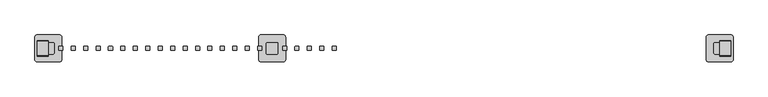
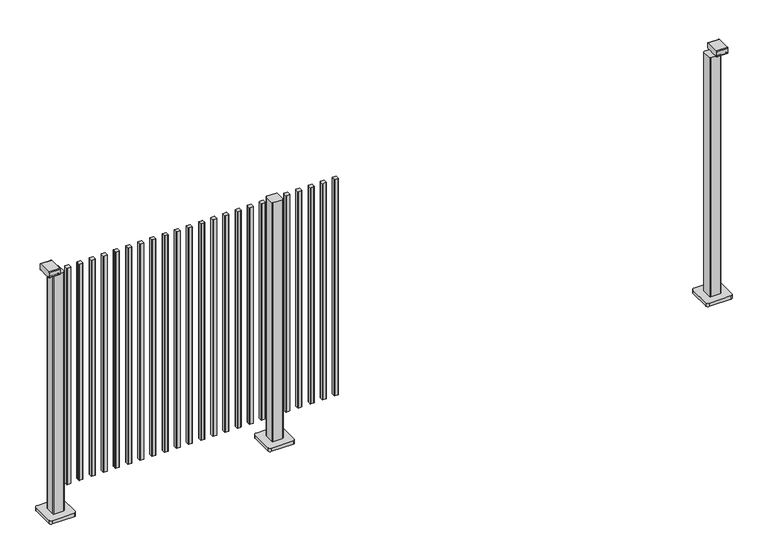
"""IFC4 building model written with IfcOpenShell, lengths in millimetres: railing geometry."""

from ifc_helpers import new_model, si_unit, point, frame, frame_2d, origin, origin_with_axes, place, context, project, spatial, polyline, circle_curve, trimmed, segment, composite_curve, outline, extrude, source, transform, mapped, element, save


def railing_5531ea5b(model_context):
    return source(origin(), model_context, "Body", "SweptSolid", [
        extrude(outline(composite_curve([segment(trimmed(circle_curve(frame_2d((5001.5724688, 9693.4508236)), 1.4), [point((5000.1724688, 9693.4508236))], [point((5001.5724688, 9694.8508236))], False, "CARTESIAN"), True, "CONTINUOUS"), segment(polyline([(5001.5724688, 9694.8508236), (5016.7724718, 9694.8508236)]), True, "CONTINUOUS"), segment(trimmed(circle_curve(frame_2d((5016.7724718, 9693.4508236)), 1.4), [point((5016.7724718, 9694.8508236))], [point((5018.1724718, 9693.4508236))], False, "CARTESIAN"), True, "CONTINUOUS"), segment(polyline([(5018.1724718, 9693.4508236), (5018.1724718, 9678.2507846)]), True, "CONTINUOUS"), segment(trimmed(circle_curve(frame_2d((5016.7724718, 9678.2507846)), 1.4), [point((5018.1724718, 9678.2507846))], [point((5016.7724718, 9676.8507846))], False, "CARTESIAN"), True, "CONTINUOUS"), segment(polyline([(5016.7724718, 9676.8507846), (5001.5724688, 9676.8507846)]), True, "CONTINUOUS"), segment(trimmed(circle_curve(frame_2d((5001.5724688, 9678.2507846)), 1.4), [point((5001.5724688, 9676.8507846))], [point((5000.1724688, 9678.2507846))], False, "CARTESIAN"), True, "CONTINUOUS"), segment(polyline([(5000.1724688, 9678.2507846), (5000.1724688, 9693.4508236)]), True, "CONTINUOUS")], self_intersect=False)), frame((0.0, 0.0, 125.0), z_axis=(0.0, 0.0, 1.0), x_axis=(1.0, 0.0, 0.0)), (0.0, 0.0, 1.0), 1044.8785743),
        extrude(outline(composite_curve([segment(trimmed(circle_curve(frame_2d((4946.0169133, 9693.4508236)), 1.4), [point((4944.6169133, 9693.4508236))], [point((4946.0169133, 9694.8508236))], False, "CARTESIAN"), True, "CONTINUOUS"), segment(polyline([(4946.0169133, 9694.8508236), (4961.2169163, 9694.8508236)]), True, "CONTINUOUS"), segment(trimmed(circle_curve(frame_2d((4961.2169163, 9693.4508236)), 1.4), [point((4961.2169163, 9694.8508236))], [point((4962.6169163, 9693.4508236))], False, "CARTESIAN"), True, "CONTINUOUS"), segment(polyline([(4962.6169163, 9693.4508236), (4962.6169163, 9678.2507846)]), True, "CONTINUOUS"), segment(trimmed(circle_curve(frame_2d((4961.2169163, 9678.2507846)), 1.4), [point((4962.6169163, 9678.2507846))], [point((4961.2169163, 9676.8507846))], False, "CARTESIAN"), True, "CONTINUOUS"), segment(polyline([(4961.2169163, 9676.8507846), (4946.0169133, 9676.8507846)]), True, "CONTINUOUS"), segment(trimmed(circle_curve(frame_2d((4946.0169133, 9678.2507846)), 1.4), [point((4946.0169133, 9676.8507846))], [point((4944.6169133, 9678.2507846))], False, "CARTESIAN"), True, "CONTINUOUS"), segment(polyline([(4944.6169133, 9678.2507846), (4944.6169133, 9693.4508236)]), True, "CONTINUOUS")], self_intersect=False)), frame((0.0, 0.0, 125.0), z_axis=(0.0, 0.0, 1.0), x_axis=(1.0, 0.0, 0.0)), (0.0, 0.0, 1.0), 1044.8785743),
        extrude(outline(composite_curve([segment(trimmed(circle_curve(frame_2d((4890.4613577, 9693.4508236)), 1.4), [point((4889.0613577, 9693.4508236))], [point((4890.4613577, 9694.8508236))], False, "CARTESIAN"), True, "CONTINUOUS"), segment(polyline([(4890.4613577, 9694.8508236), (4905.6613607, 9694.8508236)]), True, "CONTINUOUS"), segment(trimmed(circle_curve(frame_2d((4905.6613607, 9693.4508236)), 1.4), [point((4905.6613607, 9694.8508236))], [point((4907.0613607, 9693.4508236))], False, "CARTESIAN"), True, "CONTINUOUS"), segment(polyline([(4907.0613607, 9693.4508236), (4907.0613607, 9678.2507846)]), True, "CONTINUOUS"), segment(trimmed(circle_curve(frame_2d((4905.6613607, 9678.2507846)), 1.4), [point((4907.0613607, 9678.2507846))], [point((4905.6613607, 9676.8507846))], False, "CARTESIAN"), True, "CONTINUOUS"), segment(polyline([(4905.6613607, 9676.8507846), (4890.4613577, 9676.8507846)]), True, "CONTINUOUS"), segment(trimmed(circle_curve(frame_2d((4890.4613577, 9678.2507846)), 1.4), [point((4890.4613577, 9676.8507846))], [point((4889.0613577, 9678.2507846))], False, "CARTESIAN"), True, "CONTINUOUS"), segment(polyline([(4889.0613577, 9678.2507846), (4889.0613577, 9693.4508236)]), True, "CONTINUOUS")], self_intersect=False)), frame((0.0, 0.0, 125.0), z_axis=(0.0, 0.0, 1.0), x_axis=(1.0, 0.0, 0.0)), (0.0, 0.0, 1.0), 1044.8785743),
        extrude(outline(composite_curve([segment(trimmed(circle_curve(frame_2d((4834.9058021, 9693.4508236)), 1.4), [point((4833.5058021, 9693.4508236))], [point((4834.9058021, 9694.8508236))], False, "CARTESIAN"), True, "CONTINUOUS"), segment(polyline([(4834.9058021, 9694.8508236), (4850.1058051, 9694.8508236)]), True, "CONTINUOUS"), segment(trimmed(circle_curve(frame_2d((4850.1058051, 9693.4508236)), 1.4), [point((4850.1058051, 9694.8508236))], [point((4851.5058051, 9693.4508236))], False, "CARTESIAN"), True, "CONTINUOUS"), segment(polyline([(4851.5058051, 9693.4508236), (4851.5058051, 9678.2507846)]), True, "CONTINUOUS"), segment(trimmed(circle_curve(frame_2d((4850.1058051, 9678.2507846)), 1.4), [point((4851.5058051, 9678.2507846))], [point((4850.1058051, 9676.8507846))], False, "CARTESIAN"), True, "CONTINUOUS"), segment(polyline([(4850.1058051, 9676.8507846), (4834.9058021, 9676.8507846)]), True, "CONTINUOUS"), segment(trimmed(circle_curve(frame_2d((4834.9058021, 9678.2507846)), 1.4), [point((4834.9058021, 9676.8507846))], [point((4833.5058021, 9678.2507846))], False, "CARTESIAN"), True, "CONTINUOUS"), segment(polyline([(4833.5058021, 9678.2507846), (4833.5058021, 9693.4508236)]), True, "CONTINUOUS")], self_intersect=False)), frame((0.0, 0.0, 125.0), z_axis=(0.0, 0.0, 1.0), x_axis=(1.0, 0.0, 0.0)), (0.0, 0.0, 1.0), 1044.8785743),
        extrude(outline(composite_curve([segment(trimmed(circle_curve(frame_2d((4779.3502466, 9693.4508236)), 1.4), [point((4777.9502466, 9693.4508236))], [point((4779.3502466, 9694.8508236))], False, "CARTESIAN"), True, "CONTINUOUS"), segment(polyline([(4779.3502466, 9694.8508236), (4794.5502496, 9694.8508236)]), True, "CONTINUOUS"), segment(trimmed(circle_curve(frame_2d((4794.5502496, 9693.4508236)), 1.4), [point((4794.5502496, 9694.8508236))], [point((4795.9502496, 9693.4508236))], False, "CARTESIAN"), True, "CONTINUOUS"), segment(polyline([(4795.9502496, 9693.4508236), (4795.9502496, 9678.2507846)]), True, "CONTINUOUS"), segment(trimmed(circle_curve(frame_2d((4794.5502496, 9678.2507846)), 1.4), [point((4795.9502496, 9678.2507846))], [point((4794.5502496, 9676.8507846))], False, "CARTESIAN"), True, "CONTINUOUS"), segment(polyline([(4794.5502496, 9676.8507846), (4779.3502466, 9676.8507846)]), True, "CONTINUOUS"), segment(trimmed(circle_curve(frame_2d((4779.3502466, 9678.2507846)), 1.4), [point((4779.3502466, 9676.8507846))], [point((4777.9502466, 9678.2507846))], False, "CARTESIAN"), True, "CONTINUOUS"), segment(polyline([(4777.9502466, 9678.2507846), (4777.9502466, 9693.4508236)]), True, "CONTINUOUS")], self_intersect=False)), frame((0.0, 0.0, 125.0), z_axis=(0.0, 0.0, 1.0), x_axis=(1.0, 0.0, 0.0)), (0.0, 0.0, 1.0), 1044.8785743),
        extrude(outline(composite_curve([segment(trimmed(circle_curve(frame_2d((4708.994681, 9708.2508266)), 3.0), [point((4705.994681, 9708.2508266))], [point((4708.994681, 9711.2508266))], False, "CARTESIAN"), True, "CONTINUOUS"), segment(polyline([(4708.994681, 9711.2508266), (4753.794704, 9711.2508266)]), True, "CONTINUOUS"), segment(trimmed(circle_curve(frame_2d((4753.794704, 9708.2508266)), 3.0), [point((4753.794704, 9711.2508266))], [point((4756.794704, 9708.2508266))], False, "CARTESIAN"), True, "CONTINUOUS"), segment(polyline([(4756.794704, 9708.2508266), (4756.794704, 9663.4508036)]), True, "CONTINUOUS"), segment(trimmed(circle_curve(frame_2d((4753.794704, 9663.4508036)), 3.0), [point((4756.794704, 9663.4508036))], [point((4753.794704, 9660.4508036))], False, "CARTESIAN"), True, "CONTINUOUS"), segment(polyline([(4753.794704, 9660.4508036), (4708.994681, 9660.4508036)]), True, "CONTINUOUS"), segment(trimmed(circle_curve(frame_2d((4708.994681, 9663.4508036)), 3.0), [point((4708.994681, 9660.4508036))], [point((4705.994681, 9663.4508036))], False, "CARTESIAN"), True, "CONTINUOUS"), segment(polyline([(4705.994681, 9663.4508036), (4705.994681, 9708.2508266)]), True, "CONTINUOUS")], self_intersect=False)), frame((0.0, 0.0, 16.0), z_axis=(0.0, 0.0, 1.0), x_axis=(1.0, 0.0, 0.0)), (0.0, 0.0, 1.0), 1153.8785743),
        extrude(outline(composite_curve([segment(trimmed(circle_curve(frame_2d((4681.394681, 9735.8508151)), 10.0), [point((4671.394681, 9735.8508151))], [point((4681.394681, 9745.8508151))], False, "CARTESIAN"), True, "CONTINUOUS"), segment(polyline([(4681.394681, 9745.8508151), (4781.394681, 9745.8508151)]), True, "CONTINUOUS"), segment(trimmed(circle_curve(frame_2d((4781.394681, 9735.8508151)), 10.0), [point((4781.394681, 9745.8508151))], [point((4791.394681, 9735.8508151))], False, "CARTESIAN"), True, "CONTINUOUS"), segment(polyline([(4791.394681, 9735.8508151), (4791.394681, 9635.8508151)]), True, "CONTINUOUS"), segment(trimmed(circle_curve(frame_2d((4781.394681, 9635.8508151)), 10.0), [point((4791.394681, 9635.8508151))], [point((4781.394681, 9625.8508151))], False, "CARTESIAN"), True, "CONTINUOUS"), segment(polyline([(4781.394681, 9625.8508151), (4681.394681, 9625.8508151)]), True, "CONTINUOUS"), segment(trimmed(circle_curve(frame_2d((4681.394681, 9635.8508151)), 10.0), [point((4681.394681, 9625.8508151))], [point((4671.394681, 9635.8508151))], False, "CARTESIAN"), True, "CONTINUOUS"), segment(polyline([(4671.394681, 9635.8508151), (4671.394681, 9735.8508151)]), True, "CONTINUOUS")], self_intersect=False)), origin_with_axes(), (0.0, 0.0, 1.0), 16.0),
        extrude(outline(composite_curve([segment(trimmed(circle_curve(frame_2d((4668.2391355, 9693.4508236)), 1.4), [point((4666.8391355, 9693.4508236))], [point((4668.2391355, 9694.8508236))], False, "CARTESIAN"), True, "CONTINUOUS"), segment(polyline([(4668.2391355, 9694.8508236), (4683.4391385, 9694.8508236)]), True, "CONTINUOUS"), segment(trimmed(circle_curve(frame_2d((4683.4391385, 9693.4508236)), 1.4), [point((4683.4391385, 9694.8508236))], [point((4684.8391385, 9693.4508236))], False, "CARTESIAN"), True, "CONTINUOUS"), segment(polyline([(4684.8391385, 9693.4508236), (4684.8391385, 9678.2507846)]), True, "CONTINUOUS"), segment(trimmed(circle_curve(frame_2d((4683.4391385, 9678.2507846)), 1.4), [point((4684.8391385, 9678.2507846))], [point((4683.4391385, 9676.8507846))], False, "CARTESIAN"), True, "CONTINUOUS"), segment(polyline([(4683.4391385, 9676.8507846), (4668.2391355, 9676.8507846)]), True, "CONTINUOUS"), segment(trimmed(circle_curve(frame_2d((4668.2391355, 9678.2507846)), 1.4), [point((4668.2391355, 9676.8507846))], [point((4666.8391355, 9678.2507846))], False, "CARTESIAN"), True, "CONTINUOUS"), segment(polyline([(4666.8391355, 9678.2507846), (4666.8391355, 9693.4508236)]), True, "CONTINUOUS")], self_intersect=False)), frame((0.0, 0.0, 125.0), z_axis=(0.0, 0.0, 1.0), x_axis=(1.0, 0.0, 0.0)), (0.0, 0.0, 1.0), 1044.8785743),
        extrude(outline(composite_curve([segment(trimmed(circle_curve(frame_2d((4612.6835799, 9693.4508236)), 1.4), [point((4611.2835799, 9693.4508236))], [point((4612.6835799, 9694.8508236))], False, "CARTESIAN"), True, "CONTINUOUS"), segment(polyline([(4612.6835799, 9694.8508236), (4627.8835829, 9694.8508236)]), True, "CONTINUOUS"), segment(trimmed(circle_curve(frame_2d((4627.8835829, 9693.4508236)), 1.4), [point((4627.8835829, 9694.8508236))], [point((4629.2835829, 9693.4508236))], False, "CARTESIAN"), True, "CONTINUOUS"), segment(polyline([(4629.2835829, 9693.4508236), (4629.2835829, 9678.2507846)]), True, "CONTINUOUS"), segment(trimmed(circle_curve(frame_2d((4627.8835829, 9678.2507846)), 1.4), [point((4629.2835829, 9678.2507846))], [point((4627.8835829, 9676.8507846))], False, "CARTESIAN"), True, "CONTINUOUS"), segment(polyline([(4627.8835829, 9676.8507846), (4612.6835799, 9676.8507846)]), True, "CONTINUOUS"), segment(trimmed(circle_curve(frame_2d((4612.6835799, 9678.2507846)), 1.4), [point((4612.6835799, 9676.8507846))], [point((4611.2835799, 9678.2507846))], False, "CARTESIAN"), True, "CONTINUOUS"), segment(polyline([(4611.2835799, 9678.2507846), (4611.2835799, 9693.4508236)]), True, "CONTINUOUS")], self_intersect=False)), frame((0.0, 0.0, 125.0), z_axis=(0.0, 0.0, 1.0), x_axis=(1.0, 0.0, 0.0)), (0.0, 0.0, 1.0), 1044.8785743),
        extrude(outline(composite_curve([segment(trimmed(circle_curve(frame_2d((4557.1280244, 9693.4508236)), 1.4), [point((4555.7280244, 9693.4508236))], [point((4557.1280244, 9694.8508236))], False, "CARTESIAN"), True, "CONTINUOUS"), segment(polyline([(4557.1280244, 9694.8508236), (4572.3280274, 9694.8508236)]), True, "CONTINUOUS"), segment(trimmed(circle_curve(frame_2d((4572.3280274, 9693.4508236)), 1.4), [point((4572.3280274, 9694.8508236))], [point((4573.7280274, 9693.4508236))], False, "CARTESIAN"), True, "CONTINUOUS"), segment(polyline([(4573.7280274, 9693.4508236), (4573.7280274, 9678.2507846)]), True, "CONTINUOUS"), segment(trimmed(circle_curve(frame_2d((4572.3280274, 9678.2507846)), 1.4), [point((4573.7280274, 9678.2507846))], [point((4572.3280274, 9676.8507846))], False, "CARTESIAN"), True, "CONTINUOUS"), segment(polyline([(4572.3280274, 9676.8507846), (4557.1280244, 9676.8507846)]), True, "CONTINUOUS"), segment(trimmed(circle_curve(frame_2d((4557.1280244, 9678.2507846)), 1.4), [point((4557.1280244, 9676.8507846))], [point((4555.7280244, 9678.2507846))], False, "CARTESIAN"), True, "CONTINUOUS"), segment(polyline([(4555.7280244, 9678.2507846), (4555.7280244, 9693.4508236)]), True, "CONTINUOUS")], self_intersect=False)), frame((0.0, 0.0, 125.0), z_axis=(0.0, 0.0, 1.0), x_axis=(1.0, 0.0, 0.0)), (0.0, 0.0, 1.0), 1044.8785743),
        extrude(outline(composite_curve([segment(trimmed(circle_curve(frame_2d((4501.5724688, 9693.4508236)), 1.4), [point((4500.1724688, 9693.4508236))], [point((4501.5724688, 9694.8508236))], False, "CARTESIAN"), True, "CONTINUOUS"), segment(polyline([(4501.5724688, 9694.8508236), (4516.7724718, 9694.8508236)]), True, "CONTINUOUS"), segment(trimmed(circle_curve(frame_2d((4516.7724718, 9693.4508236)), 1.4), [point((4516.7724718, 9694.8508236))], [point((4518.1724718, 9693.4508236))], False, "CARTESIAN"), True, "CONTINUOUS"), segment(polyline([(4518.1724718, 9693.4508236), (4518.1724718, 9678.2507846)]), True, "CONTINUOUS"), segment(trimmed(circle_curve(frame_2d((4516.7724718, 9678.2507846)), 1.4), [point((4518.1724718, 9678.2507846))], [point((4516.7724718, 9676.8507846))], False, "CARTESIAN"), True, "CONTINUOUS"), segment(polyline([(4516.7724718, 9676.8507846), (4501.5724688, 9676.8507846)]), True, "CONTINUOUS"), segment(trimmed(circle_curve(frame_2d((4501.5724688, 9678.2507846)), 1.4), [point((4501.5724688, 9676.8507846))], [point((4500.1724688, 9678.2507846))], False, "CARTESIAN"), True, "CONTINUOUS"), segment(polyline([(4500.1724688, 9678.2507846), (4500.1724688, 9693.4508236)]), True, "CONTINUOUS")], self_intersect=False)), frame((0.0, 0.0, 125.0), z_axis=(0.0, 0.0, 1.0), x_axis=(1.0, 0.0, 0.0)), (0.0, 0.0, 1.0), 1044.8785743),
        extrude(outline(composite_curve([segment(trimmed(circle_curve(frame_2d((4446.0169133, 9693.4508236)), 1.4), [point((4444.6169133, 9693.4508236))], [point((4446.0169133, 9694.8508236))], False, "CARTESIAN"), True, "CONTINUOUS"), segment(polyline([(4446.0169133, 9694.8508236), (4461.2169163, 9694.8508236)]), True, "CONTINUOUS"), segment(trimmed(circle_curve(frame_2d((4461.2169163, 9693.4508236)), 1.4), [point((4461.2169163, 9694.8508236))], [point((4462.6169163, 9693.4508236))], False, "CARTESIAN"), True, "CONTINUOUS"), segment(polyline([(4462.6169163, 9693.4508236), (4462.6169163, 9678.2507846)]), True, "CONTINUOUS"), segment(trimmed(circle_curve(frame_2d((4461.2169163, 9678.2507846)), 1.4), [point((4462.6169163, 9678.2507846))], [point((4461.2169163, 9676.8507846))], False, "CARTESIAN"), True, "CONTINUOUS"), segment(polyline([(4461.2169163, 9676.8507846), (4446.0169133, 9676.8507846)]), True, "CONTINUOUS"), segment(trimmed(circle_curve(frame_2d((4446.0169133, 9678.2507846)), 1.4), [point((4446.0169133, 9676.8507846))], [point((4444.6169133, 9678.2507846))], False, "CARTESIAN"), True, "CONTINUOUS"), segment(polyline([(4444.6169133, 9678.2507846), (4444.6169133, 9693.4508236)]), True, "CONTINUOUS")], self_intersect=False)), frame((0.0, 0.0, 125.0), z_axis=(0.0, 0.0, 1.0), x_axis=(1.0, 0.0, 0.0)), (0.0, 0.0, 1.0), 1044.8785743),
        extrude(outline(composite_curve([segment(trimmed(circle_curve(frame_2d((4390.4613577, 9693.4508236)), 1.4), [point((4389.0613577, 9693.4508236))], [point((4390.4613577, 9694.8508236))], False, "CARTESIAN"), True, "CONTINUOUS"), segment(polyline([(4390.4613577, 9694.8508236), (4405.6613607, 9694.8508236)]), True, "CONTINUOUS"), segment(trimmed(circle_curve(frame_2d((4405.6613607, 9693.4508236)), 1.4), [point((4405.6613607, 9694.8508236))], [point((4407.0613607, 9693.4508236))], False, "CARTESIAN"), True, "CONTINUOUS"), segment(polyline([(4407.0613607, 9693.4508236), (4407.0613607, 9678.2507846)]), True, "CONTINUOUS"), segment(trimmed(circle_curve(frame_2d((4405.6613607, 9678.2507846)), 1.4), [point((4407.0613607, 9678.2507846))], [point((4405.6613607, 9676.8507846))], False, "CARTESIAN"), True, "CONTINUOUS"), segment(polyline([(4405.6613607, 9676.8507846), (4390.4613577, 9676.8507846)]), True, "CONTINUOUS"), segment(trimmed(circle_curve(frame_2d((4390.4613577, 9678.2507846)), 1.4), [point((4390.4613577, 9676.8507846))], [point((4389.0613577, 9678.2507846))], False, "CARTESIAN"), True, "CONTINUOUS"), segment(polyline([(4389.0613577, 9678.2507846), (4389.0613577, 9693.4508236)]), True, "CONTINUOUS")], self_intersect=False)), frame((0.0, 0.0, 125.0), z_axis=(0.0, 0.0, 1.0), x_axis=(1.0, 0.0, 0.0)), (0.0, 0.0, 1.0), 1044.8785743),
        extrude(outline(composite_curve([segment(trimmed(circle_curve(frame_2d((4334.9058021, 9693.4508236)), 1.4), [point((4333.5058021, 9693.4508236))], [point((4334.9058021, 9694.8508236))], False, "CARTESIAN"), True, "CONTINUOUS"), segment(polyline([(4334.9058021, 9694.8508236), (4350.1058051, 9694.8508236)]), True, "CONTINUOUS"), segment(trimmed(circle_curve(frame_2d((4350.1058051, 9693.4508236)), 1.4), [point((4350.1058051, 9694.8508236))], [point((4351.5058051, 9693.4508236))], False, "CARTESIAN"), True, "CONTINUOUS"), segment(polyline([(4351.5058051, 9693.4508236), (4351.5058051, 9678.2507846)]), True, "CONTINUOUS"), segment(trimmed(circle_curve(frame_2d((4350.1058051, 9678.2507846)), 1.4), [point((4351.5058051, 9678.2507846))], [point((4350.1058051, 9676.8507846))], False, "CARTESIAN"), True, "CONTINUOUS"), segment(polyline([(4350.1058051, 9676.8507846), (4334.9058021, 9676.8507846)]), True, "CONTINUOUS"), segment(trimmed(circle_curve(frame_2d((4334.9058021, 9678.2507846)), 1.4), [point((4334.9058021, 9676.8507846))], [point((4333.5058021, 9678.2507846))], False, "CARTESIAN"), True, "CONTINUOUS"), segment(polyline([(4333.5058021, 9678.2507846), (4333.5058021, 9693.4508236)]), True, "CONTINUOUS")], self_intersect=False)), frame((0.0, 0.0, 125.0), z_axis=(0.0, 0.0, 1.0), x_axis=(1.0, 0.0, 0.0)), (0.0, 0.0, 1.0), 1044.8785743),
        extrude(outline(composite_curve([segment(trimmed(circle_curve(frame_2d((4279.3502466, 9693.4508236)), 1.4), [point((4277.9502466, 9693.4508236))], [point((4279.3502466, 9694.8508236))], False, "CARTESIAN"), True, "CONTINUOUS"), segment(polyline([(4279.3502466, 9694.8508236), (4294.5502496, 9694.8508236)]), True, "CONTINUOUS"), segment(trimmed(circle_curve(frame_2d((4294.5502496, 9693.4508236)), 1.4), [point((4294.5502496, 9694.8508236))], [point((4295.9502496, 9693.4508236))], False, "CARTESIAN"), True, "CONTINUOUS"), segment(polyline([(4295.9502496, 9693.4508236), (4295.9502496, 9678.2507846)]), True, "CONTINUOUS"), segment(trimmed(circle_curve(frame_2d((4294.5502496, 9678.2507846)), 1.4), [point((4295.9502496, 9678.2507846))], [point((4294.5502496, 9676.8507846))], False, "CARTESIAN"), True, "CONTINUOUS"), segment(polyline([(4294.5502496, 9676.8507846), (4279.3502466, 9676.8507846)]), True, "CONTINUOUS"), segment(trimmed(circle_curve(frame_2d((4279.3502466, 9678.2507846)), 1.4), [point((4279.3502466, 9676.8507846))], [point((4277.9502466, 9678.2507846))], False, "CARTESIAN"), True, "CONTINUOUS"), segment(polyline([(4277.9502466, 9678.2507846), (4277.9502466, 9693.4508236)]), True, "CONTINUOUS")], self_intersect=False)), frame((0.0, 0.0, 125.0), z_axis=(0.0, 0.0, 1.0), x_axis=(1.0, 0.0, 0.0)), (0.0, 0.0, 1.0), 1044.8785743),
        extrude(outline(composite_curve([segment(trimmed(circle_curve(frame_2d((4223.794691, 9693.4508236)), 1.4), [point((4222.394691, 9693.4508236))], [point((4223.794691, 9694.8508236))], False, "CARTESIAN"), True, "CONTINUOUS"), segment(polyline([(4223.794691, 9694.8508236), (4238.994694, 9694.8508236)]), True, "CONTINUOUS"), segment(trimmed(circle_curve(frame_2d((4238.994694, 9693.4508236)), 1.4), [point((4238.994694, 9694.8508236))], [point((4240.394694, 9693.4508236))], False, "CARTESIAN"), True, "CONTINUOUS"), segment(polyline([(4240.394694, 9693.4508236), (4240.394694, 9678.2507846)]), True, "CONTINUOUS"), segment(trimmed(circle_curve(frame_2d((4238.994694, 9678.2507846)), 1.4), [point((4240.394694, 9678.2507846))], [point((4238.994694, 9676.8507846))], False, "CARTESIAN"), True, "CONTINUOUS"), segment(polyline([(4238.994694, 9676.8507846), (4223.794691, 9676.8507846)]), True, "CONTINUOUS"), segment(trimmed(circle_curve(frame_2d((4223.794691, 9678.2507846)), 1.4), [point((4223.794691, 9676.8507846))], [point((4222.394691, 9678.2507846))], False, "CARTESIAN"), True, "CONTINUOUS"), segment(polyline([(4222.394691, 9678.2507846), (4222.394691, 9693.4508236)]), True, "CONTINUOUS")], self_intersect=False)), frame((0.0, 0.0, 125.0), z_axis=(0.0, 0.0, 1.0), x_axis=(1.0, 0.0, 0.0)), (0.0, 0.0, 1.0), 1044.8785743),
        extrude(outline(composite_curve([segment(trimmed(circle_curve(frame_2d((4168.2391355, 9693.4508236)), 1.4), [point((4166.8391355, 9693.4508236))], [point((4168.2391355, 9694.8508236))], False, "CARTESIAN"), True, "CONTINUOUS"), segment(polyline([(4168.2391355, 9694.8508236), (4183.4391385, 9694.8508236)]), True, "CONTINUOUS"), segment(trimmed(circle_curve(frame_2d((4183.4391385, 9693.4508236)), 1.4), [point((4183.4391385, 9694.8508236))], [point((4184.8391385, 9693.4508236))], False, "CARTESIAN"), True, "CONTINUOUS"), segment(polyline([(4184.8391385, 9693.4508236), (4184.8391385, 9678.2507846)]), True, "CONTINUOUS"), segment(trimmed(circle_curve(frame_2d((4183.4391385, 9678.2507846)), 1.4), [point((4184.8391385, 9678.2507846))], [point((4183.4391385, 9676.8507846))], False, "CARTESIAN"), True, "CONTINUOUS"), segment(polyline([(4183.4391385, 9676.8507846), (4168.2391355, 9676.8507846)]), True, "CONTINUOUS"), segment(trimmed(circle_curve(frame_2d((4168.2391355, 9678.2507846)), 1.4), [point((4168.2391355, 9676.8507846))], [point((4166.8391355, 9678.2507846))], False, "CARTESIAN"), True, "CONTINUOUS"), segment(polyline([(4166.8391355, 9678.2507846), (4166.8391355, 9693.4508236)]), True, "CONTINUOUS")], self_intersect=False)), frame((0.0, 0.0, 125.0), z_axis=(0.0, 0.0, 1.0), x_axis=(1.0, 0.0, 0.0)), (0.0, 0.0, 1.0), 1044.8785743),
        extrude(outline(composite_curve([segment(trimmed(circle_curve(frame_2d((4112.6835799, 9693.4508236)), 1.4), [point((4111.2835799, 9693.4508236))], [point((4112.6835799, 9694.8508236))], False, "CARTESIAN"), True, "CONTINUOUS"), segment(polyline([(4112.6835799, 9694.8508236), (4127.8835829, 9694.8508236)]), True, "CONTINUOUS"), segment(trimmed(circle_curve(frame_2d((4127.8835829, 9693.4508236)), 1.4), [point((4127.8835829, 9694.8508236))], [point((4129.2835829, 9693.4508236))], False, "CARTESIAN"), True, "CONTINUOUS"), segment(polyline([(4129.2835829, 9693.4508236), (4129.2835829, 9678.2507846)]), True, "CONTINUOUS"), segment(trimmed(circle_curve(frame_2d((4127.8835829, 9678.2507846)), 1.4), [point((4129.2835829, 9678.2507846))], [point((4127.8835829, 9676.8507846))], False, "CARTESIAN"), True, "CONTINUOUS"), segment(polyline([(4127.8835829, 9676.8507846), (4112.6835799, 9676.8507846)]), True, "CONTINUOUS"), segment(trimmed(circle_curve(frame_2d((4112.6835799, 9678.2507846)), 1.4), [point((4112.6835799, 9676.8507846))], [point((4111.2835799, 9678.2507846))], False, "CARTESIAN"), True, "CONTINUOUS"), segment(polyline([(4111.2835799, 9678.2507846), (4111.2835799, 9693.4508236)]), True, "CONTINUOUS")], self_intersect=False)), frame((0.0, 0.0, 125.0), z_axis=(0.0, 0.0, 1.0), x_axis=(1.0, 0.0, 0.0)), (0.0, 0.0, 1.0), 1044.8785743),
        extrude(outline(composite_curve([segment(trimmed(circle_curve(frame_2d((4057.1280244, 9693.4508236)), 1.4), [point((4055.7280244, 9693.4508236))], [point((4057.1280244, 9694.8508236))], False, "CARTESIAN"), True, "CONTINUOUS"), segment(polyline([(4057.1280244, 9694.8508236), (4072.3280274, 9694.8508236)]), True, "CONTINUOUS"), segment(trimmed(circle_curve(frame_2d((4072.3280274, 9693.4508236)), 1.4), [point((4072.3280274, 9694.8508236))], [point((4073.7280274, 9693.4508236))], False, "CARTESIAN"), True, "CONTINUOUS"), segment(polyline([(4073.7280274, 9693.4508236), (4073.7280274, 9678.2507846)]), True, "CONTINUOUS"), segment(trimmed(circle_curve(frame_2d((4072.3280274, 9678.2507846)), 1.4), [point((4073.7280274, 9678.2507846))], [point((4072.3280274, 9676.8507846))], False, "CARTESIAN"), True, "CONTINUOUS"), segment(polyline([(4072.3280274, 9676.8507846), (4057.1280244, 9676.8507846)]), True, "CONTINUOUS"), segment(trimmed(circle_curve(frame_2d((4057.1280244, 9678.2507846)), 1.4), [point((4057.1280244, 9676.8507846))], [point((4055.7280244, 9678.2507846))], False, "CARTESIAN"), True, "CONTINUOUS"), segment(polyline([(4055.7280244, 9678.2507846), (4055.7280244, 9693.4508236)]), True, "CONTINUOUS")], self_intersect=False)), frame((0.0, 0.0, 125.0), z_axis=(0.0, 0.0, 1.0), x_axis=(1.0, 0.0, 0.0)), (0.0, 0.0, 1.0), 1044.8785743),
        extrude(outline(composite_curve([segment(trimmed(circle_curve(frame_2d((4001.5724688, 9693.4508236)), 1.4), [point((4000.1724688, 9693.4508236))], [point((4001.5724688, 9694.8508236))], False, "CARTESIAN"), True, "CONTINUOUS"), segment(polyline([(4001.5724688, 9694.8508236), (4016.7724718, 9694.8508236)]), True, "CONTINUOUS"), segment(trimmed(circle_curve(frame_2d((4016.7724718, 9693.4508236)), 1.4), [point((4016.7724718, 9694.8508236))], [point((4018.1724718, 9693.4508236))], False, "CARTESIAN"), True, "CONTINUOUS"), segment(polyline([(4018.1724718, 9693.4508236), (4018.1724718, 9678.2507846)]), True, "CONTINUOUS"), segment(trimmed(circle_curve(frame_2d((4016.7724718, 9678.2507846)), 1.4), [point((4018.1724718, 9678.2507846))], [point((4016.7724718, 9676.8507846))], False, "CARTESIAN"), True, "CONTINUOUS"), segment(polyline([(4016.7724718, 9676.8507846), (4001.5724688, 9676.8507846)]), True, "CONTINUOUS"), segment(trimmed(circle_curve(frame_2d((4001.5724688, 9678.2507846)), 1.4), [point((4001.5724688, 9676.8507846))], [point((4000.1724688, 9678.2507846))], False, "CARTESIAN"), True, "CONTINUOUS"), segment(polyline([(4000.1724688, 9678.2507846), (4000.1724688, 9693.4508236)]), True, "CONTINUOUS")], self_intersect=False)), frame((0.0, 0.0, 125.0), z_axis=(0.0, 0.0, 1.0), x_axis=(1.0, 0.0, 0.0)), (0.0, 0.0, 1.0), 1044.8785743),
        extrude(outline(composite_curve([segment(trimmed(circle_curve(frame_2d((3946.0169133, 9693.4508236)), 1.4), [point((3944.6169133, 9693.4508236))], [point((3946.0169133, 9694.8508236))], False, "CARTESIAN"), True, "CONTINUOUS"), segment(polyline([(3946.0169133, 9694.8508236), (3961.2169163, 9694.8508236)]), True, "CONTINUOUS"), segment(trimmed(circle_curve(frame_2d((3961.2169163, 9693.4508236)), 1.4), [point((3961.2169163, 9694.8508236))], [point((3962.6169163, 9693.4508236))], False, "CARTESIAN"), True, "CONTINUOUS"), segment(polyline([(3962.6169163, 9693.4508236), (3962.6169163, 9678.2507846)]), True, "CONTINUOUS"), segment(trimmed(circle_curve(frame_2d((3961.2169163, 9678.2507846)), 1.4), [point((3962.6169163, 9678.2507846))], [point((3961.2169163, 9676.8507846))], False, "CARTESIAN"), True, "CONTINUOUS"), segment(polyline([(3961.2169163, 9676.8507846), (3946.0169133, 9676.8507846)]), True, "CONTINUOUS"), segment(trimmed(circle_curve(frame_2d((3946.0169133, 9678.2507846)), 1.4), [point((3946.0169133, 9676.8507846))], [point((3944.6169133, 9678.2507846))], False, "CARTESIAN"), True, "CONTINUOUS"), segment(polyline([(3944.6169133, 9678.2507846), (3944.6169133, 9693.4508236)]), True, "CONTINUOUS")], self_intersect=False)), frame((0.0, 0.0, 125.0), z_axis=(0.0, 0.0, 1.0), x_axis=(1.0, 0.0, 0.0)), (0.0, 0.0, 1.0), 1044.8785743),
        extrude(outline(composite_curve([segment(trimmed(circle_curve(frame_2d((3890.4613577, 9693.4508236)), 1.4), [point((3889.0613577, 9693.4508236))], [point((3890.4613577, 9694.8508236))], False, "CARTESIAN"), True, "CONTINUOUS"), segment(polyline([(3890.4613577, 9694.8508236), (3905.6613607, 9694.8508236)]), True, "CONTINUOUS"), segment(trimmed(circle_curve(frame_2d((3905.6613607, 9693.4508236)), 1.4), [point((3905.6613607, 9694.8508236))], [point((3907.0613607, 9693.4508236))], False, "CARTESIAN"), True, "CONTINUOUS"), segment(polyline([(3907.0613607, 9693.4508236), (3907.0613607, 9678.2507846)]), True, "CONTINUOUS"), segment(trimmed(circle_curve(frame_2d((3905.6613607, 9678.2507846)), 1.4), [point((3907.0613607, 9678.2507846))], [point((3905.6613607, 9676.8507846))], False, "CARTESIAN"), True, "CONTINUOUS"), segment(polyline([(3905.6613607, 9676.8507846), (3890.4613577, 9676.8507846)]), True, "CONTINUOUS"), segment(trimmed(circle_curve(frame_2d((3890.4613577, 9678.2507846)), 1.4), [point((3890.4613577, 9676.8507846))], [point((3889.0613577, 9678.2507846))], False, "CARTESIAN"), True, "CONTINUOUS"), segment(polyline([(3889.0613577, 9678.2507846), (3889.0613577, 9693.4508236)]), True, "CONTINUOUS")], self_intersect=False)), frame((0.0, 0.0, 125.0), z_axis=(0.0, 0.0, 1.0), x_axis=(1.0, 0.0, 0.0)), (0.0, 0.0, 1.0), 1044.8785743),
        extrude(outline(composite_curve([segment(trimmed(circle_curve(frame_2d((3834.9058021, 9693.4508236)), 1.4), [point((3833.5058021, 9693.4508236))], [point((3834.9058021, 9694.8508236))], False, "CARTESIAN"), True, "CONTINUOUS"), segment(polyline([(3834.9058021, 9694.8508236), (3850.1058051, 9694.8508236)]), True, "CONTINUOUS"), segment(trimmed(circle_curve(frame_2d((3850.1058051, 9693.4508236)), 1.4), [point((3850.1058051, 9694.8508236))], [point((3851.5058051, 9693.4508236))], False, "CARTESIAN"), True, "CONTINUOUS"), segment(polyline([(3851.5058051, 9693.4508236), (3851.5058051, 9678.2507846)]), True, "CONTINUOUS"), segment(trimmed(circle_curve(frame_2d((3850.1058051, 9678.2507846)), 1.4), [point((3851.5058051, 9678.2507846))], [point((3850.1058051, 9676.8507846))], False, "CARTESIAN"), True, "CONTINUOUS"), segment(polyline([(3850.1058051, 9676.8507846), (3834.9058021, 9676.8507846)]), True, "CONTINUOUS"), segment(trimmed(circle_curve(frame_2d((3834.9058021, 9678.2507846)), 1.4), [point((3834.9058021, 9676.8507846))], [point((3833.5058021, 9678.2507846))], False, "CARTESIAN"), True, "CONTINUOUS"), segment(polyline([(3833.5058021, 9678.2507846), (3833.5058021, 9693.4508236)]), True, "CONTINUOUS")], self_intersect=False)), frame((0.0, 0.0, 125.0), z_axis=(0.0, 0.0, 1.0), x_axis=(1.0, 0.0, 0.0)), (0.0, 0.0, 1.0), 1044.8785743),
        extrude(outline(composite_curve([segment(trimmed(circle_curve(frame_2d((3779.3502466, 9693.4508236)), 1.4), [point((3777.9502466, 9693.4508236))], [point((3779.3502466, 9694.8508236))], False, "CARTESIAN"), True, "CONTINUOUS"), segment(polyline([(3779.3502466, 9694.8508236), (3794.5502496, 9694.8508236)]), True, "CONTINUOUS"), segment(trimmed(circle_curve(frame_2d((3794.5502496, 9693.4508236)), 1.4), [point((3794.5502496, 9694.8508236))], [point((3795.9502496, 9693.4508236))], False, "CARTESIAN"), True, "CONTINUOUS"), segment(polyline([(3795.9502496, 9693.4508236), (3795.9502496, 9678.2507846)]), True, "CONTINUOUS"), segment(trimmed(circle_curve(frame_2d((3794.5502496, 9678.2507846)), 1.4), [point((3795.9502496, 9678.2507846))], [point((3794.5502496, 9676.8507846))], False, "CARTESIAN"), True, "CONTINUOUS"), segment(polyline([(3794.5502496, 9676.8507846), (3779.3502466, 9676.8507846)]), True, "CONTINUOUS"), segment(trimmed(circle_curve(frame_2d((3779.3502466, 9678.2507846)), 1.4), [point((3779.3502466, 9676.8507846))], [point((3777.9502466, 9678.2507846))], False, "CARTESIAN"), True, "CONTINUOUS"), segment(polyline([(3777.9502466, 9678.2507846), (3777.9502466, 9693.4508236)]), True, "CONTINUOUS")], self_intersect=False)), frame((0.0, 0.0, 125.0), z_axis=(0.0, 0.0, 1.0), x_axis=(1.0, 0.0, 0.0)), (0.0, 0.0, 1.0), 1044.8785743),
        extrude(outline(composite_curve([segment(trimmed(circle_curve(frame_2d((6708.994681, 9708.2508266)), 3.0), [point((6705.994681, 9708.2508266))], [point((6708.994681, 9711.2508266))], False, "CARTESIAN"), True, "CONTINUOUS"), segment(polyline([(6708.994681, 9711.2508266), (6753.794704, 9711.2508266)]), True, "CONTINUOUS"), segment(trimmed(circle_curve(frame_2d((6753.794704, 9708.2508266)), 3.0), [point((6753.794704, 9711.2508266))], [point((6756.794704, 9708.2508266))], False, "CARTESIAN"), True, "CONTINUOUS"), segment(polyline([(6756.794704, 9708.2508266), (6756.794704, 9663.4508036)]), True, "CONTINUOUS"), segment(trimmed(circle_curve(frame_2d((6753.794704, 9663.4508036)), 3.0), [point((6756.794704, 9663.4508036))], [point((6753.794704, 9660.4508036))], False, "CARTESIAN"), True, "CONTINUOUS"), segment(polyline([(6753.794704, 9660.4508036), (6708.994681, 9660.4508036)]), True, "CONTINUOUS"), segment(trimmed(circle_curve(frame_2d((6708.994681, 9663.4508036)), 3.0), [point((6708.994681, 9660.4508036))], [point((6705.994681, 9663.4508036))], False, "CARTESIAN"), True, "CONTINUOUS"), segment(polyline([(6705.994681, 9663.4508036), (6705.994681, 9708.2508266)]), True, "CONTINUOUS")], self_intersect=False)), frame((0.0, 0.0, 16.0), z_axis=(0.0, 0.0, 1.0), x_axis=(1.0, 0.0, 0.0)), (0.0, 0.0, 1.0), 1153.8785743),
        extrude(outline(composite_curve([segment(trimmed(circle_curve(frame_2d((6681.394681, 9735.8508151)), 10.0), [point((6671.394681, 9735.8508151))], [point((6681.394681, 9745.8508151))], False, "CARTESIAN"), True, "CONTINUOUS"), segment(polyline([(6681.394681, 9745.8508151), (6781.394681, 9745.8508151)]), True, "CONTINUOUS"), segment(trimmed(circle_curve(frame_2d((6781.394681, 9735.8508151)), 10.0), [point((6781.394681, 9745.8508151))], [point((6791.394681, 9735.8508151))], False, "CARTESIAN"), True, "CONTINUOUS"), segment(polyline([(6791.394681, 9735.8508151), (6791.394681, 9635.8508151)]), True, "CONTINUOUS"), segment(trimmed(circle_curve(frame_2d((6781.394681, 9635.8508151)), 10.0), [point((6791.394681, 9635.8508151))], [point((6781.394681, 9625.8508151))], False, "CARTESIAN"), True, "CONTINUOUS"), segment(polyline([(6781.394681, 9625.8508151), (6681.394681, 9625.8508151)]), True, "CONTINUOUS"), segment(trimmed(circle_curve(frame_2d((6681.394681, 9635.8508151)), 10.0), [point((6681.394681, 9625.8508151))], [point((6671.394681, 9635.8508151))], False, "CARTESIAN"), True, "CONTINUOUS"), segment(polyline([(6671.394681, 9635.8508151), (6671.394681, 9735.8508151)]), True, "CONTINUOUS")], self_intersect=False)), origin_with_axes(), (0.0, 0.0, 1.0), 16.0),
        extrude(outline(composite_curve([segment(trimmed(circle_curve(frame_2d((9717.8460333, 1197.0)), 3.0), [point((9717.8460333, 1200.0))], [point((9720.8460333, 1197.0))], False, "CARTESIAN"), True, "CONTINUOUS"), segment(polyline([(9720.8460333, 1197.0), (9720.8460333, 1174.8)]), True, "CONTINUOUS"), segment(trimmed(circle_curve(frame_2d((9717.8460333, 1174.8)), 3.0), [point((9720.8460333, 1174.8))], [point((9717.8460333, 1171.8))], False, "CARTESIAN"), True, "CONTINUOUS"), segment(polyline([(9717.8460333, 1171.8), (9712.9961193, 1171.8)]), True, "CONTINUOUS"), segment(trimmed(circle_curve(frame_2d((9712.9961193, 1172.7286632)), 0.9286632), [point((9712.9961193, 1171.8))], [point((9712.0960471, 1172.5000033))], False, "CARTESIAN"), True, "CONTINUOUS"), segment(trimmed(circle_curve(frame_2d((9711.5960471, 1172.5000003)), 0.5), [point((9712.0960471, 1172.5000033))], [point((9711.5960471, 1172.0000003))], False, "CARTESIAN"), True, "CONTINUOUS"), segment(polyline([(9711.5960471, 1172.0000003), (9694.5751393, 1172.0000003)]), True, "CONTINUOUS"), segment(trimmed(circle_curve(frame_2d((9685.8508208, 1188.8785723)), 18.999998), [point((9694.5751393, 1172.0000003))], [point((9677.1265024, 1172.0000003))], False, "CARTESIAN"), True, "CONTINUOUS"), segment(polyline([(9677.1265024, 1172.0000003), (9660.0960436, 1172.0000003)]), True, "CONTINUOUS"), segment(trimmed(circle_curve(frame_2d((9660.0960436, 1172.5000003)), 0.5), [point((9660.0960436, 1172.0000003))], [point((9659.5960436, 1172.5000033))], False, "CARTESIAN"), True, "CONTINUOUS"), segment(trimmed(circle_curve(frame_2d((9658.6961402, 1172.7284461)), 0.9284461), [point((9659.5960436, 1172.5000033))], [point((9658.6961402, 1171.8))], False, "CARTESIAN"), True, "CONTINUOUS"), segment(polyline([(9658.6961402, 1171.8), (9653.8460333, 1171.8)]), True, "CONTINUOUS"), segment(trimmed(circle_curve(frame_2d((9653.8460333, 1174.8)), 3.0), [point((9653.8460333, 1171.8))], [point((9650.8460333, 1174.8))], False, "CARTESIAN"), True, "CONTINUOUS"), segment(polyline([(9650.8460333, 1174.8), (9650.8460333, 1197.0)]), True, "CONTINUOUS"), segment(trimmed(circle_curve(frame_2d((9653.8460333, 1197.0)), 3.0), [point((9650.8460333, 1197.0))], [point((9653.8460333, 1200.0))], False, "CARTESIAN"), True, "CONTINUOUS"), segment(polyline([(9653.8460333, 1200.0), (9717.8460333, 1200.0)]), True, "CONTINUOUS")], self_intersect=False)), frame((6731.3946925, 0.0, 0.0), z_axis=(1.0, 0.0, 0.0), x_axis=(0.0, 1.0, 0.0)), (0.0, 0.0, 1.0), 50.0),
        extrude(outline(composite_curve([segment(trimmed(circle_curve(frame_2d((3708.994681, 9708.2508266)), 3.0), [point((3705.994681, 9708.2508266))], [point((3708.994681, 9711.2508266))], False, "CARTESIAN"), True, "CONTINUOUS"), segment(polyline([(3708.994681, 9711.2508266), (3753.794704, 9711.2508266)]), True, "CONTINUOUS"), segment(trimmed(circle_curve(frame_2d((3753.794704, 9708.2508266)), 3.0), [point((3753.794704, 9711.2508266))], [point((3756.794704, 9708.2508266))], False, "CARTESIAN"), True, "CONTINUOUS"), segment(polyline([(3756.794704, 9708.2508266), (3756.794704, 9663.4508036)]), True, "CONTINUOUS"), segment(trimmed(circle_curve(frame_2d((3753.794704, 9663.4508036)), 3.0), [point((3756.794704, 9663.4508036))], [point((3753.794704, 9660.4508036))], False, "CARTESIAN"), True, "CONTINUOUS"), segment(polyline([(3753.794704, 9660.4508036), (3708.994681, 9660.4508036)]), True, "CONTINUOUS"), segment(trimmed(circle_curve(frame_2d((3708.994681, 9663.4508036)), 3.0), [point((3708.994681, 9660.4508036))], [point((3705.994681, 9663.4508036))], False, "CARTESIAN"), True, "CONTINUOUS"), segment(polyline([(3705.994681, 9663.4508036), (3705.994681, 9708.2508266)]), True, "CONTINUOUS")], self_intersect=False)), frame((0.0, 0.0, 16.0), z_axis=(0.0, 0.0, 1.0), x_axis=(1.0, 0.0, 0.0)), (0.0, 0.0, 1.0), 1153.8785743),
        extrude(outline(composite_curve([segment(trimmed(circle_curve(frame_2d((3681.394681, 9735.8508151)), 10.0), [point((3671.394681, 9735.8508151))], [point((3681.394681, 9745.8508151))], False, "CARTESIAN"), True, "CONTINUOUS"), segment(polyline([(3681.394681, 9745.8508151), (3781.394681, 9745.8508151)]), True, "CONTINUOUS"), segment(trimmed(circle_curve(frame_2d((3781.394681, 9735.8508151)), 10.0), [point((3781.394681, 9745.8508151))], [point((3791.394681, 9735.8508151))], False, "CARTESIAN"), True, "CONTINUOUS"), segment(polyline([(3791.394681, 9735.8508151), (3791.394681, 9635.8508151)]), True, "CONTINUOUS"), segment(trimmed(circle_curve(frame_2d((3781.394681, 9635.8508151)), 10.0), [point((3791.394681, 9635.8508151))], [point((3781.394681, 9625.8508151))], False, "CARTESIAN"), True, "CONTINUOUS"), segment(polyline([(3781.394681, 9625.8508151), (3681.394681, 9625.8508151)]), True, "CONTINUOUS"), segment(trimmed(circle_curve(frame_2d((3681.394681, 9635.8508151)), 10.0), [point((3681.394681, 9625.8508151))], [point((3671.394681, 9635.8508151))], False, "CARTESIAN"), True, "CONTINUOUS"), segment(polyline([(3671.394681, 9635.8508151), (3671.394681, 9735.8508151)]), True, "CONTINUOUS")], self_intersect=False)), origin_with_axes(), (0.0, 0.0, 1.0), 16.0),
        extrude(outline(composite_curve([segment(trimmed(circle_curve(frame_2d((9717.8460333, 1197.0)), 3.0), [point((9717.8460333, 1200.0))], [point((9720.8460333, 1197.0))], False, "CARTESIAN"), True, "CONTINUOUS"), segment(polyline([(9720.8460333, 1197.0), (9720.8460333, 1174.8)]), True, "CONTINUOUS"), segment(trimmed(circle_curve(frame_2d((9717.8460333, 1174.8)), 3.0), [point((9720.8460333, 1174.8))], [point((9717.8460333, 1171.8))], False, "CARTESIAN"), True, "CONTINUOUS"), segment(polyline([(9717.8460333, 1171.8), (9712.9961193, 1171.8)]), True, "CONTINUOUS"), segment(trimmed(circle_curve(frame_2d((9712.9961193, 1172.7286632)), 0.9286632), [point((9712.9961193, 1171.8))], [point((9712.0960471, 1172.5000033))], False, "CARTESIAN"), True, "CONTINUOUS"), segment(trimmed(circle_curve(frame_2d((9711.5960471, 1172.5000003)), 0.5), [point((9712.0960471, 1172.5000033))], [point((9711.5960471, 1172.0000003))], False, "CARTESIAN"), True, "CONTINUOUS"), segment(polyline([(9711.5960471, 1172.0000003), (9694.5751393, 1172.0000003)]), True, "CONTINUOUS"), segment(trimmed(circle_curve(frame_2d((9685.8508208, 1188.8785723)), 18.999998), [point((9694.5751393, 1172.0000003))], [point((9677.1265024, 1172.0000003))], False, "CARTESIAN"), True, "CONTINUOUS"), segment(polyline([(9677.1265024, 1172.0000003), (9660.0960436, 1172.0000003)]), True, "CONTINUOUS"), segment(trimmed(circle_curve(frame_2d((9660.0960436, 1172.5000003)), 0.5), [point((9660.0960436, 1172.0000003))], [point((9659.5960436, 1172.5000033))], False, "CARTESIAN"), True, "CONTINUOUS"), segment(trimmed(circle_curve(frame_2d((9658.6961402, 1172.7284461)), 0.9284461), [point((9659.5960436, 1172.5000033))], [point((9658.6961402, 1171.8))], False, "CARTESIAN"), True, "CONTINUOUS"), segment(polyline([(9658.6961402, 1171.8), (9653.8460333, 1171.8)]), True, "CONTINUOUS"), segment(trimmed(circle_curve(frame_2d((9653.8460333, 1174.8)), 3.0), [point((9653.8460333, 1171.8))], [point((9650.8460333, 1174.8))], False, "CARTESIAN"), True, "CONTINUOUS"), segment(polyline([(9650.8460333, 1174.8), (9650.8460333, 1197.0)]), True, "CONTINUOUS"), segment(trimmed(circle_curve(frame_2d((9653.8460333, 1197.0)), 3.0), [point((9650.8460333, 1197.0))], [point((9653.8460333, 1200.0))], False, "CARTESIAN"), True, "CONTINUOUS"), segment(polyline([(9653.8460333, 1200.0), (9717.8460333, 1200.0)]), True, "CONTINUOUS")], self_intersect=False)), frame((3681.3946925, 0.0, 0.0), z_axis=(1.0, 0.0, 0.0), x_axis=(0.0, 1.0, 0.0)), (0.0, 0.0, 1.0), 50.0),
    ])


if __name__ == "__main__":
    model = new_model("IFC4")
    model_context = context("Model", 3, world=origin())
    ifc_project = project(units=[si_unit("LENGTHUNIT", "METRE", prefix="MILLI")], contexts=[model_context])
    site = spatial("IfcSite", under=ifc_project)
    building = spatial("IfcBuilding", under=site)
    placement = place(None, origin())
    railing_shape = railing_5531ea5b(model_context)
    element("IfcRailing", 1, at=placement, inside=building, context=model_context, shape_type="MappedRepresentation", body=[
        mapped(railing_shape, transform((0.0, 0.0, 0.0), x_axis=(1.0, 0.0, 0.0), y_axis=(0.0, 1.0, 0.0), z_axis=(0.0, 0.0, 1.0))),
    ])
    save(model, "model.ifc")
